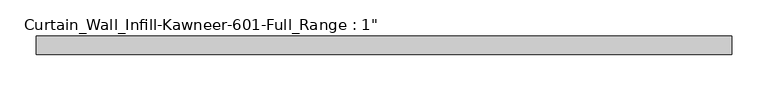
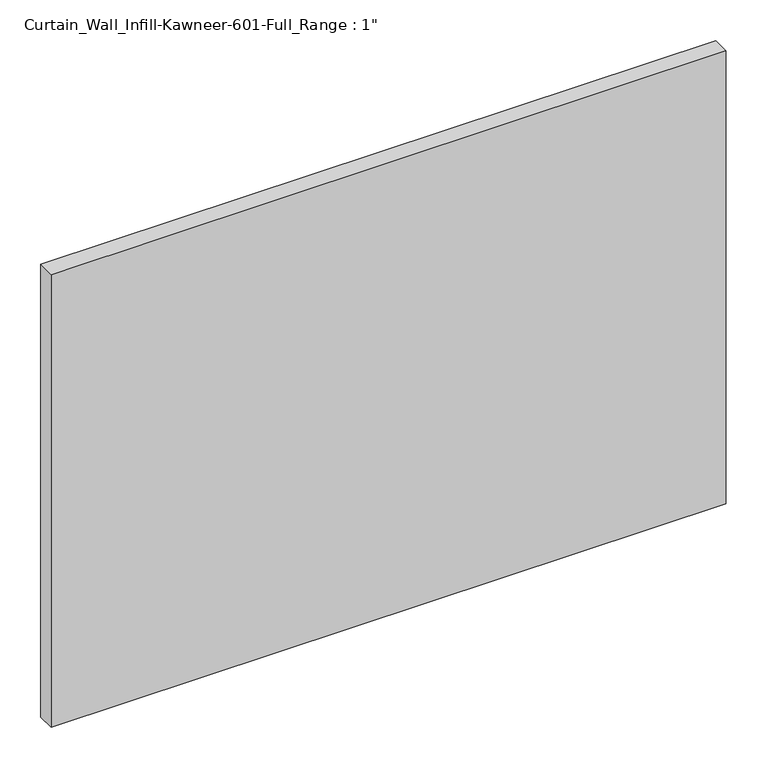
"""IFC4 building model written with IfcOpenShell, lengths in millimetres: plate geometry."""

from ifc_helpers import new_model, si_unit, origin, origin_with_axes, place, context, project, spatial, polyline, outline, extrude, source, transform, mapped, element, save


def plate_7c6b9c31(model_context):
    return source(origin(), model_context, "Body", "SweptSolid", [
        extrude(outline(polyline([(-479.425, -12.7), (-479.425, 12.7), (479.425, 12.7), (479.425, -12.7), (-479.425, -12.7)])), origin_with_axes(), (0.0, 0.0, 1.0), 679.45),
    ])


if __name__ == "__main__":
    model = new_model("IFC4")
    model_context = context("Model", 3, world=origin())
    ifc_project = project(units=[si_unit("LENGTHUNIT", "METRE", prefix="MILLI")], contexts=[model_context])
    site = spatial("IfcSite", under=ifc_project)
    building = spatial("IfcBuilding", under=site)
    placement = place(None, origin())
    plate_shape = plate_7c6b9c31(model_context)
    element("IfcPlate", 1, ObjectType="Curtain_Wall_Infill-Kawneer-601-Full_Range : 1\"", at=placement, inside=building, context=model_context, shape_type="MappedRepresentation", body=[
        mapped(plate_shape, transform((0.0, 0.0, 0.0), x_axis=(1.0, 0.0, 0.0), y_axis=(0.0, 1.0, 0.0), z_axis=(0.0, 0.0, 1.0))),
    ])
    save(model, "model.ifc")
